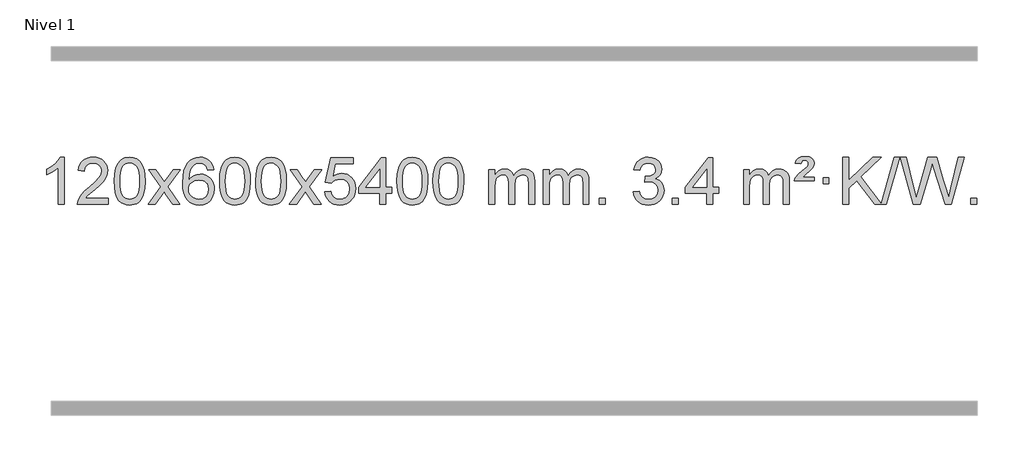
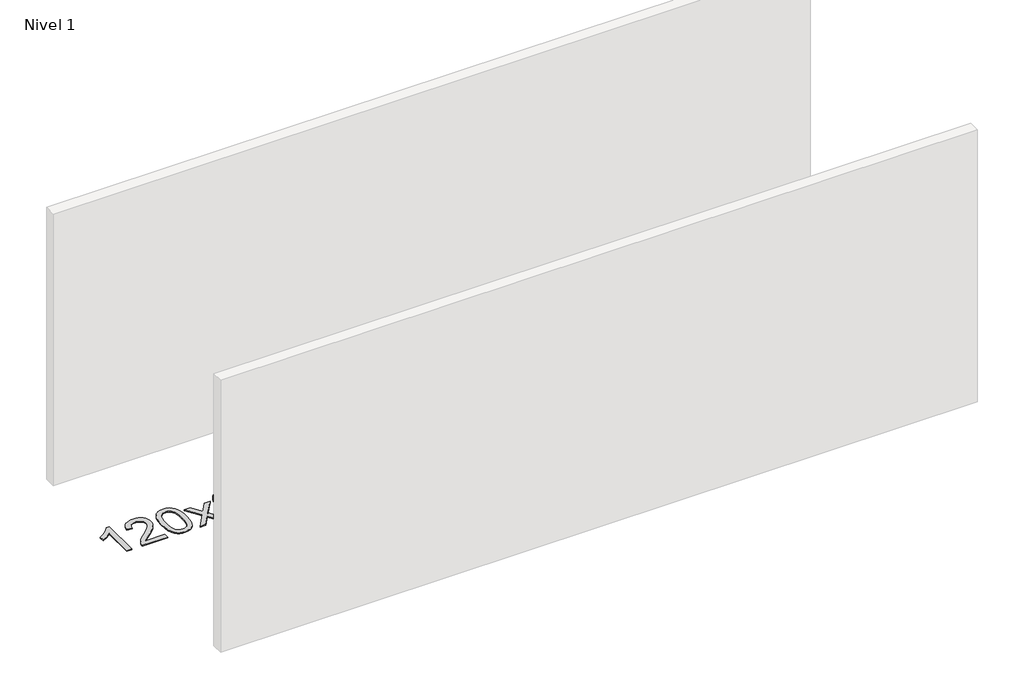
# One storey, part 5 of 16: 1 proxy.
"""IFC4 building model written with IfcOpenShell, lengths in millimetres."""

import ifcopenshell
import ifcopenshell.guid

model = None  # the IFC model being written
_history = None  # IfcOwnerHistory: only IFC2X3 demands one
_inside = {}  # id of a spatial element -> (the spatial element, [elements in it])
_under = {}  # id of a project, library or spatial element -> (it, [spatial elements below it])
_declared = {}  # id of a project -> (the project, [libraries it declares])
_typed = {}  # id of a type object -> (the type object, [elements of that type])
_made_of = {}  # id of a material, layer set ... -> (it, [elements and type objects made of it])


def new_model(schema):
    """Start an empty IFC model of exactly this schema.

    Asked for "IFC4X3", IfcOpenShell would pick the latest addendum, in which some entities
    have other attributes; the version numbers below select the first issue.
    IFC2X3 requires an IfcOwnerHistory on every rooted entity: one is made here for all.
    """
    global model, _history
    if schema == "IFC4X3":
        model = ifcopenshell.file(schema_version=(4, 3, 0, 0))
    else:
        model = ifcopenshell.file(schema=schema)
    _inside.clear()
    _under.clear()
    _declared.clear()
    _typed.clear()
    _made_of.clear()
    _history = None
    if model.schema == "IFC2X3":
        org = make("IfcOrganization", Name="unknown")
        user = make(
            "IfcPersonAndOrganization",
            ThePerson=make("IfcPerson", FamilyName="unknown"),
            TheOrganization=org,
        )
        app = make(
            "IfcApplication",
            ApplicationDeveloper=org,
            Version="unknown",
            ApplicationFullName="unknown",
            ApplicationIdentifier="unknown",
        )
        _history = make(
            "IfcOwnerHistory",
            OwningUser=user,
            OwningApplication=app,
            ChangeAction="ADDED",
            CreationDate=0,
        )
    return model


def make(cls, **values):
    """One entity of the class cls with the attributes given. An attribute that is None is left unset."""
    return model.create_entity(
        cls, **{name: value for name, value in values.items() if value is not None}
    )


def rooted(cls, **values):
    """An entity with a GlobalId (a new one), such as an element, a storey or a relation."""
    return make(cls, GlobalId=ifcopenshell.guid.new(), OwnerHistory=_history, **values)


def si_unit(unit_type, name, prefix=None):
    """IfcSIUnit, for example si_unit("LENGTHUNIT", "METRE", prefix="MILLI")."""
    return make("IfcSIUnit", UnitType=unit_type, Prefix=prefix, Name=name)


def assignment(units):
    """IfcUnitAssignment: the units of a project."""
    return None if units is None else make("IfcUnitAssignment", Units=units)


def point(xyz):
    """IfcCartesianPoint."""
    return None if xyz is None else make("IfcCartesianPoint", Coordinates=xyz)


def direction(xyz):
    """IfcDirection."""
    return None if xyz is None else make("IfcDirection", DirectionRatios=xyz)


def frame(location, z_axis=None, x_axis=None):
    """IfcAxis2Placement3D, a coordinate frame: its origin and axes. An axis left out is left unset."""
    return make(
        "IfcAxis2Placement3D",
        Location=point(location),
        Axis=direction(z_axis),
        RefDirection=direction(x_axis),
    )


def origin():
    """The frame at (0, 0, 0) with its axes left unset."""
    return frame((0.0, 0.0, 0.0))


def origin_with_axes():
    """The frame at (0, 0, 0) with the z axis (0, 0, 1) and the x axis (1, 0, 0) written out."""
    return frame((0.0, 0.0, 0.0), z_axis=(0.0, 0.0, 1.0), x_axis=(1.0, 0.0, 0.0))


def place(relative_to, where):
    """IfcLocalPlacement: puts the frame where relative to a parent placement (None: the world)."""
    return make(
        "IfcLocalPlacement", PlacementRelTo=relative_to, RelativePlacement=where
    )


def context(
    kind, dimensions, precision=None, world=None, true_north=None, identifier=None
):
    """IfcGeometricRepresentationContext, for example the 3D "Model" context."""
    return make(
        "IfcGeometricRepresentationContext",
        ContextIdentifier=identifier,
        ContextType=kind,
        CoordinateSpaceDimension=dimensions,
        Precision=precision,
        WorldCoordinateSystem=world,
        TrueNorth=true_north,
    )


def project(units=None, contexts=None):
    """IfcProject with its units and contexts."""
    return rooted(
        "IfcProject",
        Name="project",
        RepresentationContexts=contexts,
        UnitsInContext=assignment(units),
    )


def spatial(cls, under=None, at=None, **own):
    """A site, building, storey or space (cls), placed at a placement, below another one or the project."""
    s = rooted(cls, ObjectPlacement=at, **own)
    if under is not None:
        _under.setdefault(under.id(), (under, []))[1].append(s)
    return s


def polyline(points):
    """IfcPolyline through the points."""
    return make("IfcPolyline", Points=[point(p) for p in points])


def outline(outer, holes=None, kind="AREA"):
    """IfcArbitraryClosedProfileDef: a profile drawn as a closed curve; with holes, ...WithVoids."""
    if holes is None:
        return make("IfcArbitraryClosedProfileDef", ProfileType=kind, OuterCurve=outer)
    return make(
        "IfcArbitraryProfileDefWithVoids",
        ProfileType=kind,
        OuterCurve=outer,
        InnerCurves=holes,
    )


def extrude(swept, where, along, depth):
    """IfcExtrudedAreaSolid: the profile swept, set in the frame where, extruded along a direction by depth."""
    return make(
        "IfcExtrudedAreaSolid",
        SweptArea=swept,
        Position=where,
        ExtrudedDirection=direction(along),
        Depth=depth,
    )


def shape(context_of_items, identifier, shape_type, items):
    """IfcShapeRepresentation: the items that make up one representation, for example the "Body"."""
    return make(
        "IfcShapeRepresentation",
        ContextOfItems=context_of_items,
        RepresentationIdentifier=identifier,
        RepresentationType=shape_type,
        Items=items,
    )


def made_of(thing, what):
    """Note that an element or type object is made of a material, layer set ...; save() writes the relation."""
    if what is not None:
        _made_of.setdefault(what.id(), (what, []))[1].append(thing)
    return thing


def element(
    cls,
    number,
    at=None,
    inside=None,
    cuts=None,
    type_object=None,
    material=None,
    context=None,
    identifier="Body",
    shape_type=None,
    held_by="IfcProductDefinitionShape",
    body=None,
    shapes=None,
    **own,
):
    """One element of the class cls, such as IfcWall. Its Tag is "e" and its number.

    at: its placement. inside: the storey or other place that contains it. cuts: it is an
    opening in that element (IfcRelVoidsElement). A single representation is given by context,
    identifier, shape_type and body (its items); several are given by shapes. held_by: the class
    of the entity that holds the representations. save() writes the other relations.
    """
    e = rooted(cls, Tag="e%d" % number, ObjectPlacement=at, **own)
    if body is not None:
        shapes = [shape(context, identifier, shape_type, body)]
    if shapes is not None:
        e.Representation = make(held_by, Representations=shapes)
    if inside is not None:
        _inside.setdefault(inside.id(), (inside, []))[1].append(e)
    if cuts is not None:
        rooted(
            "IfcRelVoidsElement", RelatingBuildingElement=cuts, RelatedOpeningElement=e
        )
    if type_object is not None:
        _typed.setdefault(type_object.id(), (type_object, []))[1].append(e)
    return made_of(e, material)


def aggregate(whole, parts):
    """IfcRelAggregates: a whole, such as a stair, and the parts it consists of."""
    return rooted("IfcRelAggregates", RelatingObject=whole, RelatedObjects=parts)


def save(model, path):
    """Write the relations noted so far, then the file.

    IfcRelAggregates (storeys below a building ...), IfcRelContainedInSpatialStructure (elements
    in a storey), IfcRelDefinesByType, IfcRelAssociatesMaterial and IfcRelDeclares: one each for
    every whole, place, type object, material and project.
    """
    for whole, parts in _under.values():
        aggregate(whole, parts)
    for where, things in _inside.values():
        rooted(
            "IfcRelContainedInSpatialStructure",
            RelatedElements=things,
            RelatingStructure=where,
        )
    for kind, things in _typed.values():
        rooted("IfcRelDefinesByType", RelatedObjects=things, RelatingType=kind)
    for what, things in _made_of.values():
        rooted("IfcRelAssociatesMaterial", RelatedObjects=things, RelatingMaterial=what)
    for by, libraries in _declared.values():
        rooted("IfcRelDeclares", RelatingContext=by, RelatedDefinitions=libraries)
    model.write(path)


model = new_model("IFC4")

# Units and contexts
model_context = context("Model", 3, world=origin())
ifc_project = project(units=[si_unit("LENGTHUNIT", "METRE", prefix="MILLI")], contexts=[model_context])

# Site, building, storey
site = spatial("IfcSite", under=ifc_project)
building = spatial("IfcBuilding", under=site)
storey = spatial("IfcBuildingStorey", under=building, Name="Nivel 1", Elevation=0.0)

# Proxy
placement = place(None, origin())
element("IfcBuildingElementProxy", 1, Name="Texto de modelo 1", ObjectType="Texto de modelo 1", at=placement, inside=storey, context=model_context, shape_type="SweptSolid", body=[
    extrude(outline(polyline([(-121.6378538, -27570.579453), (-171.8660089, -27570.579453), (-171.8660089, -27257.4382987), (-192.8352826, -27274.3976587), (-219.4454136, -27291.3324932), (-272.3223191, -27316.6918254), (-272.3223191, -27269.2105225), (-232.8731065, -27247.7507395), (-198.6968691, -27222.219729), (-171.7556443, -27195.0700378), (-154.0114694, -27168.7542124), (-121.6378538, -27168.7542124), (-121.6378538, -27570.579453)])), origin_with_axes(), (0.0, 0.0, 1.0), 10.0),
    extrude(outline(polyline([(255.0733092, -27520.3512979), (255.0733092, -27570.579453), (-8.6245049, -27570.579453), (-7.5208589, -27552.8965918), (-3.2289023, -27535.9494945), (9.1564582, -27508.8856424), (27.2807778, -27482.6311307), (53.4985013, -27455.1503456), (90.1640735, -27424.4076736), (144.3653541, -27376.2641831), (176.8861225, -27340.7267824), (193.1465067, -27311.884834), (198.5666348, -27283.8277005), (193.453075, -27258.6768347), (178.1123958, -27237.7688747), (154.5311599, -27223.6789943), (124.6959301, -27218.9823675), (93.3646469, -27223.5686297), (69.0231215, -27237.3274163), (53.3145603, -27259.1796068), (47.8821695, -27288.0460807), (-2.3459855, -27281.7675613), (1.9735622, -27255.838012), (9.8309085, -27233.1826125), (21.2260533, -27213.8013627), (36.1589966, -27197.6942627), (54.2863819, -27185.0329907), (75.2648527, -27175.989225), (99.0944089, -27170.5629655), (125.7750506, -27168.7542124), (152.6948156, -27170.7653006), (176.6531306, -27176.7985654), (197.6499954, -27186.8540066), (215.6854103, -27200.9316242), (230.1707638, -27217.9890861), (240.5174449, -27236.9840598), (246.7254536, -27257.9165453), (248.7947898, -27280.7865427), (246.5629724, -27304.8092369), (239.8675201, -27328.4149983), (227.9849316, -27352.4254299), (210.1917058, -27377.6621347), (181.828004, -27407.7916701), (138.2339875, -27446.4805933), (80.4519888, -27494.795762), (57.7904579, -27520.3512979), (255.0733092, -27520.3512979)])), origin_with_axes(), (0.0, 0.0, 1.0), 10.0),
    extrude(outline(polyline([(305.3014643, -27372.9041943), (308.992547, -27308.5861588), (320.065795, -27257.2911459), (338.4108439, -27218.2343407), (350.2689068, -27203.0009605), (363.9173289, -27190.6309284), (379.4020952, -27181.0598651), (396.769191, -27174.2233914), (437.1503714, -27168.7542124), (468.1015099, -27171.991574), (495.8152869, -27181.7036586), (518.9918526, -27197.5103217), (536.3313573, -27219.0314184), (549.4279563, -27246.0830078), (559.8758049, -27278.4811488), (566.7184101, -27319.6226186), (568.9992784, -27372.9041943), (565.3449839, -27436.8543477), (554.3821005, -27488.0267333), (536.1474163, -27527.1203266), (524.3169444, -27542.3996922), (510.6777195, -27554.8341036), (495.174559, -27564.4695462), (477.7522809, -27571.3520052), (437.1503714, -27576.8579724), (409.4856453, -27574.4667394), (384.960179, -27567.2930405), (363.5739723, -27555.3368757), (345.3270254, -27538.5982449), (327.8158424, -27508.3399508), (315.3078546, -27470.6381776), (307.8030619, -27425.4929255), (305.3014643, -27372.9041943)]), holes=[polyline([(355.5296194, -27372.8060924), (357.0011473, -27416.4706195), (361.4157313, -27451.8148822), (368.7733712, -27478.8388804), (379.0740671, -27497.5426142), (391.533004, -27510.2682656), (405.365367, -27519.3580165), (420.5711561, -27524.8118671), (437.1503714, -27526.6298173), (453.7295866, -27524.8057357), (468.9353757, -27519.3334911), (482.7677388, -27510.2130833), (495.2266757, -27497.4445124), (505.5273715, -27478.7101217), (512.8850114, -27451.6922549), (517.2995954, -27416.3909118), (518.7711234, -27372.8060924), (517.3486463, -27330.2973278), (513.0812152, -27295.5753989), (505.9688299, -27268.6403055), (496.0114906, -27249.4920476), (483.7610201, -27236.1440625), (469.7692416, -27226.6097875), (454.0361549, -27220.8892225), (436.5617602, -27218.9823675), (420.068384, -27220.6623619), (405.1201123, -27225.7023452), (391.716945, -27234.1023175), (379.858882, -27245.8622786), (369.2148296, -27266.708925), (361.611935, -27294.8151094), (357.0501983, -27330.1808319), (355.5296194, -27372.8060924)])]), origin_with_axes(), (0.0, 0.0, 1.0), 10.0),
    extrude(outline(polyline([(594.113356, -27570.579453), (701.4367967, -27422.2494325), (600.3918754, -27275.4890419), (660.8226244, -27275.4890419), (709.5792515, -27346.122385), (732.3388843, -27379.4770192), (752.0573592, -27352.2047007), (807.583015, -27275.4890419), (868.0137641, -27275.4890419), (761.8675458, -27422.2494325), (864.0896895, -27570.579453), (803.6589404, -27570.579453), (742.1490708, -27481.4048574), (730.8673563, -27465.1199477), (654.544105, -27570.579453), (594.113356, -27570.579453)])), origin_with_axes(), (0.0, 0.0, 1.0), 10.0),
    extrude(outline(polyline([(1152.9015812, -27275.4890419), (1102.6734261, -27281.7675613), (1094.5800222, -27256.874213), (1083.6416642, -27239.8780648), (1060.857506, -27224.2062918), (1033.3154073, -27218.9823675), (1009.9671633, -27222.0235253), (987.9923455, -27231.1469988), (969.1199991, -27250.3627017), (953.7057435, -27276.8134171), (943.2946831, -27314.227016), (939.4319221, -27366.3313693), (959.5795927, -27342.8237098), (983.7249143, -27326.2567573), (1010.5189863, -27316.434308), (1038.612908, -27313.1601582), (1062.7459669, -27315.398107), (1085.0150903, -27322.1119534), (1105.4202783, -27333.3016975), (1123.9615309, -27348.9673391), (1139.3696551, -27368.1769106), (1150.3754581, -27389.9984443), (1156.97894, -27414.4319401), (1159.1801006, -27441.4773982), (1155.0352967, -27477.4439945), (1142.6008853, -27510.786366), (1122.9069358, -27539.0642287), (1096.9835179, -27559.8372987), (1066.0078539, -27572.602804), (1031.1571662, -27576.8579724), (1001.2146375, -27574.0375437), (974.1722452, -27565.5762579), (950.0299893, -27551.4741147), (928.7878697, -27531.7311143), (911.4698248, -27505.5133908), (899.0997927, -27471.9870783), (891.6777734, -27431.1521768), (889.203767, -27383.0086864), (891.9506193, -27329.0342663), (900.191176, -27282.9693092), (913.9254371, -27244.8138149), (933.1534027, -27214.5677835), (953.9939177, -27194.5243462), (978.1576335, -27180.2076052), (1005.6445499, -27171.6175606), (1036.454667, -27168.7542124), (1059.5883131, -27170.5261773), (1080.52693, -27175.8420722), (1099.2705176, -27184.7018969), (1115.8190761, -27197.1056515), (1129.7250155, -27212.6364031), (1140.5407461, -27230.8772186), (1148.266268, -27251.8280983), (1152.9015812, -27275.4890419)]), holes=[polyline([(939.4319221, -27440.6925832), (942.3381899, -27462.9494439), (951.0569932, -27484.2007605), (964.5950506, -27502.472233), (981.9590807, -27515.7895612), (1002.9160917, -27523.9197533), (1027.2330916, -27526.6298173), (1060.3792594, -27521.0134855), (1074.2943959, -27513.9930708), (1086.4375674, -27504.1644901), (1096.2876078, -27491.9262824), (1103.323351, -27477.6769865), (1108.9519455, -27443.1451299), (1103.3969274, -27409.9989621), (1096.4531547, -27396.3781312), (1086.731873, -27384.725469), (1074.5519133, -27375.3904634), (1060.2321066, -27368.7226022), (1025.1729524, -27363.3883133), (992.0758356, -27368.7226022), (964.3988468, -27384.725469), (953.4758173, -27396.2248471), (945.6736533, -27409.3858254), (940.9923549, -27424.2084042), (939.4319221, -27440.6925832)])]), origin_with_axes(), (0.0, 0.0, 1.0), 10.0),
    extrude(outline(polyline([(1203.1297362, -27372.9041943), (1206.8208189, -27308.5861588), (1217.894067, -27257.2911459), (1236.2391158, -27218.2343407), (1248.0971788, -27203.0009605), (1261.7456008, -27190.6309284), (1277.2303671, -27181.0598651), (1294.597463, -27174.2233914), (1334.9786433, -27168.7542124), (1365.9297818, -27171.991574), (1393.6435588, -27181.7036586), (1416.8201245, -27197.5103217), (1434.1596292, -27219.0314184), (1447.2562282, -27246.0830078), (1457.7040769, -27278.4811488), (1464.546682, -27319.6226186), (1466.8275504, -27372.9041943), (1463.1732559, -27436.8543477), (1452.2103725, -27488.0267333), (1433.9756882, -27527.1203266), (1422.1452164, -27542.3996922), (1408.5059914, -27554.8341036), (1393.002831, -27564.4695462), (1375.5805529, -27571.3520052), (1334.9786433, -27576.8579724), (1307.3139173, -27574.4667394), (1282.7884509, -27567.2930405), (1261.4022443, -27555.3368757), (1243.1552973, -27538.5982449), (1225.6441144, -27508.3399508), (1213.1361265, -27470.6381776), (1205.6313338, -27425.4929255), (1203.1297362, -27372.9041943)]), holes=[polyline([(1253.3578913, -27372.8060924), (1254.8294193, -27416.4706195), (1259.2440032, -27451.8148822), (1266.6016432, -27478.8388804), (1276.902339, -27497.5426142), (1289.3612759, -27510.2682656), (1303.1936389, -27519.3580165), (1318.3994281, -27524.8118671), (1334.9786433, -27526.6298173), (1351.5578586, -27524.8057357), (1366.7636477, -27519.3334911), (1380.5960107, -27510.2130833), (1393.0549476, -27497.4445124), (1403.3556435, -27478.7101217), (1410.7132834, -27451.6922549), (1415.1278673, -27416.3909118), (1416.5993953, -27372.8060924), (1415.1769183, -27330.2973278), (1410.9094871, -27295.5753989), (1403.7971019, -27268.6403055), (1393.8397625, -27249.4920476), (1381.5892921, -27236.1440625), (1367.5975136, -27226.6097875), (1351.8644269, -27220.8892225), (1334.3900321, -27218.9823675), (1317.896656, -27220.6623619), (1302.9483843, -27225.7023452), (1289.5452169, -27234.1023175), (1277.6871539, -27245.8622786), (1267.0431015, -27266.708925), (1259.440207, -27294.8151094), (1254.8784702, -27330.1808319), (1253.3578913, -27372.8060924)])]), origin_with_axes(), (0.0, 0.0, 1.0), 10.0),
    extrude(outline(polyline([(1510.7771861, -27372.9041943), (1514.4682688, -27308.5861588), (1525.5415168, -27257.2911459), (1543.8865656, -27218.2343407), (1555.7446286, -27203.0009605), (1569.3930506, -27190.6309284), (1584.877817, -27181.0598651), (1602.2449128, -27174.2233914), (1642.6260932, -27168.7542124), (1673.5772317, -27171.991574), (1701.2910087, -27181.7036586), (1724.4675743, -27197.5103217), (1741.8070791, -27219.0314184), (1754.9036781, -27246.0830078), (1765.3515267, -27278.4811488), (1772.1941319, -27319.6226186), (1774.4750002, -27372.9041943), (1770.8207057, -27436.8543477), (1759.8578223, -27488.0267333), (1741.6231381, -27527.1203266), (1729.7926662, -27542.3996922), (1716.1534413, -27554.8341036), (1700.6502808, -27564.4695462), (1683.2280027, -27571.3520052), (1642.6260932, -27576.8579724), (1614.9613671, -27574.4667394), (1590.4359008, -27567.2930405), (1569.0496941, -27555.3368757), (1550.8027472, -27538.5982449), (1533.2915642, -27508.3399508), (1520.7835764, -27470.6381776), (1513.2787836, -27425.4929255), (1510.7771861, -27372.9041943)]), holes=[polyline([(1561.0053412, -27372.8060924), (1562.4768691, -27416.4706195), (1566.8914531, -27451.8148822), (1574.249093, -27478.8388804), (1584.5497888, -27497.5426142), (1597.0087258, -27510.2682656), (1610.8410888, -27519.3580165), (1626.0468779, -27524.8118671), (1642.6260932, -27526.6298173), (1659.2053084, -27524.8057357), (1674.4110975, -27519.3334911), (1688.2434606, -27510.2130833), (1700.7023975, -27497.4445124), (1711.0030933, -27478.7101217), (1718.3607332, -27451.6922549), (1722.7753172, -27416.3909118), (1724.2468452, -27372.8060924), (1722.8243681, -27330.2973278), (1718.556937, -27295.5753989), (1711.4445517, -27268.6403055), (1701.4872124, -27249.4920476), (1689.2367419, -27236.1440625), (1675.2449634, -27226.6097875), (1659.5118767, -27220.8892225), (1642.037482, -27218.9823675), (1625.5441058, -27220.6623619), (1610.5958341, -27225.7023452), (1597.1926667, -27234.1023175), (1585.3346038, -27245.8622786), (1574.6905514, -27266.708925), (1567.0876568, -27294.8151094), (1562.5259201, -27330.1808319), (1561.0053412, -27372.8060924)])]), origin_with_axes(), (0.0, 0.0, 1.0), 10.0),
    extrude(outline(polyline([(1799.5890778, -27570.579453), (1906.9125185, -27422.2494325), (1805.8675971, -27275.4890419), (1866.2983462, -27275.4890419), (1915.0549733, -27346.122385), (1937.8146061, -27379.4770192), (1957.533081, -27352.2047007), (2013.0587368, -27275.4890419), (2073.4894859, -27275.4890419), (1967.3432676, -27422.2494325), (2069.5654113, -27570.579453), (2009.1346622, -27570.579453), (1947.6247926, -27481.4048574), (1936.3430781, -27465.1199477), (1860.0198268, -27570.579453), (1799.5890778, -27570.579453)])), origin_with_axes(), (0.0, 0.0, 1.0), 10.0),
    extrude(outline(polyline([(2100.9580082, -27463.8446235), (2151.1861633, -27457.5661041), (2160.4077386, -27487.7201649), (2176.4964446, -27509.3148381), (2199.3787047, -27522.3010725), (2228.9809425, -27526.6298173), (2248.1108063, -27525.1245668), (2264.9843271, -27520.6088153), (2279.6015051, -27513.0825628), (2291.9623401, -27502.5458094), (2301.7909207, -27489.519721), (2308.8113355, -27474.5254641), (2314.4276673, -27438.6324441), (2309.1669547, -27404.8363514), (2302.5910641, -27390.9181493), (2293.3848172, -27378.9865099), (2281.5175571, -27369.4154467), (2266.9586272, -27362.5789729), (2229.7657575, -27357.1097939), (2205.3997066, -27359.2925604), (2185.668969, -27365.8408599), (2169.9113568, -27375.8717757), (2157.4646827, -27388.5023908), (2107.2365276, -27382.2238715), (2151.1861633, -27175.0327318), (2345.8202642, -27175.0327318), (2345.8202642, -27225.2608869), (2191.8003356, -27225.2608869), (2170.316027, -27335.919791), (2188.0418078, -27323.2155994), (2206.1967843, -27314.1411769), (2224.7809564, -27308.6965234), (2243.7943242, -27306.8816388), (2268.2554112, -27309.1318504), (2290.7238041, -27315.882485), (2311.1995028, -27327.1335427), (2329.6825073, -27342.8850234), (2344.9833327, -27362.1743027), (2355.9124936, -27384.038756), (2362.4699902, -27408.4783832), (2364.6558224, -27435.4931844), (2362.6876537, -27461.5147042), (2356.7831477, -27485.7213394), (2346.9423043, -27508.1130902), (2333.1651236, -27528.6899565), (2312.2939517, -27549.7634634), (2287.9401636, -27564.8159684), (2260.1037593, -27573.8474714), (2228.7847388, -27576.8579724), (2202.8643866, -27574.9235262), (2179.4517632, -27569.1201877), (2158.5468689, -27559.447957), (2140.1497034, -27545.9068338), (2124.8427467, -27529.1712688), (2113.2084787, -27509.915712), (2105.2468991, -27488.1401636), (2100.9580082, -27463.8446235)])), origin_with_axes(), (0.0, 0.0, 1.0), 10.0),
    extrude(outline(polyline([(2571.846962, -27570.579453), (2571.846962, -27476.4016622), (2389.7698999, -27476.4016622), (2389.7698999, -27426.1735072), (2584.4040008, -27175.0327318), (2622.0751171, -27175.0327318), (2622.0751171, -27426.1735072), (2672.3032722, -27426.1735072), (2672.3032722, -27476.4016622), (2622.0751171, -27476.4016622), (2622.0751171, -27570.579453), (2571.846962, -27570.579453)]), holes=[polyline([(2571.846962, -27426.1735072), (2571.846962, -27270.9763561), (2451.5740751, -27426.1735072), (2571.846962, -27426.1735072)])]), origin_with_axes(), (0.0, 0.0, 1.0), 10.0),
    extrude(outline(polyline([(2716.2529079, -27372.9041943), (2719.9439906, -27308.5861588), (2731.0172386, -27257.2911459), (2749.3622874, -27218.2343407), (2761.2203504, -27203.0009605), (2774.8687724, -27190.6309284), (2790.3535388, -27181.0598651), (2807.7206346, -27174.2233914), (2848.1018149, -27168.7542124), (2879.0529535, -27171.991574), (2906.7667304, -27181.7036586), (2929.9432961, -27197.5103217), (2947.2828008, -27219.0314184), (2960.3793999, -27246.0830078), (2970.8272485, -27278.4811488), (2977.6698537, -27319.6226186), (2979.950722, -27372.9041943), (2976.2964275, -27436.8543477), (2965.3335441, -27488.0267333), (2947.0988599, -27527.1203266), (2935.268388, -27542.3996922), (2921.6291631, -27554.8341036), (2906.1260026, -27564.4695462), (2888.7037245, -27571.3520052), (2848.1018149, -27576.8579724), (2820.4370889, -27574.4667394), (2795.9116226, -27567.2930405), (2774.5254159, -27555.3368757), (2756.278469, -27538.5982449), (2738.767286, -27508.3399508), (2726.2592981, -27470.6381776), (2718.7545054, -27425.4929255), (2716.2529079, -27372.9041943)]), holes=[polyline([(2766.481063, -27372.8060924), (2767.9525909, -27416.4706195), (2772.3671749, -27451.8148822), (2779.7248148, -27478.8388804), (2790.0255106, -27497.5426142), (2802.4844475, -27510.2682656), (2816.3168106, -27519.3580165), (2831.5225997, -27524.8118671), (2848.1018149, -27526.6298173), (2864.6810302, -27524.8057357), (2879.8868193, -27519.3334911), (2893.7191824, -27510.2130833), (2906.1781193, -27497.4445124), (2916.4788151, -27478.7101217), (2923.836455, -27451.6922549), (2928.251039, -27416.3909118), (2929.7225669, -27372.8060924), (2928.3000899, -27330.2973278), (2924.0326588, -27295.5753989), (2916.9202735, -27268.6403055), (2906.9629342, -27249.4920476), (2894.7124637, -27236.1440625), (2880.7206852, -27226.6097875), (2864.9875985, -27220.8892225), (2847.5132038, -27218.9823675), (2831.0198276, -27220.6623619), (2816.0715559, -27225.7023452), (2802.6683885, -27234.1023175), (2790.8103256, -27245.8622786), (2780.1662732, -27266.708925), (2772.5633786, -27294.8151094), (2768.0016419, -27330.1808319), (2766.481063, -27372.8060924)])]), origin_with_axes(), (0.0, 0.0, 1.0), 10.0),
    extrude(outline(polyline([(3023.9003577, -27372.9041943), (3027.5914404, -27308.5861588), (3038.6646885, -27257.2911459), (3057.0097373, -27218.2343407), (3068.8678003, -27203.0009605), (3082.5162223, -27190.6309284), (3098.0009886, -27181.0598651), (3115.3680844, -27174.2233914), (3155.7492648, -27168.7542124), (3186.7004033, -27171.991574), (3214.4141803, -27181.7036586), (3237.590746, -27197.5103217), (3254.9302507, -27219.0314184), (3268.0268497, -27246.0830078), (3278.4746984, -27278.4811488), (3285.3173035, -27319.6226186), (3287.5981719, -27372.9041943), (3283.9438774, -27436.8543477), (3272.9809939, -27488.0267333), (3254.7463097, -27527.1203266), (3242.9158379, -27542.3996922), (3229.2766129, -27554.8341036), (3213.7734525, -27564.4695462), (3196.3511743, -27571.3520052), (3155.7492648, -27576.8579724), (3128.0845387, -27574.4667394), (3103.5590724, -27567.2930405), (3082.1728657, -27555.3368757), (3063.9259188, -27538.5982449), (3046.4147358, -27508.3399508), (3033.906748, -27470.6381776), (3026.4019553, -27425.4929255), (3023.9003577, -27372.9041943)]), holes=[polyline([(3074.1285128, -27372.8060924), (3075.6000408, -27416.4706195), (3080.0146247, -27451.8148822), (3087.3722646, -27478.8388804), (3097.6729605, -27497.5426142), (3110.1318974, -27510.2682656), (3123.9642604, -27519.3580165), (3139.1700495, -27524.8118671), (3155.7492648, -27526.6298173), (3172.32848, -27524.8057357), (3187.5342692, -27519.3334911), (3201.3666322, -27510.2130833), (3213.8255691, -27497.4445124), (3224.126265, -27478.7101217), (3231.4839049, -27451.6922549), (3235.8984888, -27416.3909118), (3237.3700168, -27372.8060924), (3235.9475397, -27330.2973278), (3231.6801086, -27295.5753989), (3224.5677233, -27268.6403055), (3214.610384, -27249.4920476), (3202.3599136, -27236.1440625), (3188.368135, -27226.6097875), (3172.6350484, -27220.8892225), (3155.1606536, -27218.9823675), (3138.6672775, -27220.6623619), (3123.7190057, -27225.7023452), (3110.3158384, -27234.1023175), (3098.4577754, -27245.8622786), (3087.813723, -27266.708925), (3080.2108284, -27294.8151094), (3075.6490917, -27330.1808319), (3074.1285128, -27372.8060924)])]), origin_with_axes(), (0.0, 0.0, 1.0), 10.0),
    extrude(outline(polyline([(3501.0678309, -27570.579453), (3501.0678309, -27275.4890419), (3551.295986, -27275.4890419), (3551.295986, -27324.0494653), (3566.4036733, -27301.7435537), (3585.8278426, -27284.2691589), (3608.9063064, -27272.9751816), (3634.9768772, -27269.2105225), (3662.9113833, -27273.048758), (3685.3031341, -27284.5634645), (3702.0295022, -27302.9943524), (3712.9678601, -27327.5811324), (3731.2761208, -27302.0439906), (3752.1595554, -27283.803175), (3775.6181639, -27272.8586857), (3801.6519464, -27269.2105225), (3821.7597632, -27270.7280358), (3839.4089019, -27275.2805755), (3854.5993626, -27282.8681416), (3867.3311453, -27293.4907342), (3877.3957836, -27307.2709806), (3884.5848109, -27324.3315082), (3888.8982273, -27344.6723168), (3890.3360328, -27368.2934066), (3890.3360328, -27570.579453), (3840.1078777, -27570.579453), (3840.1078777, -27389.875817), (3838.942918, -27364.8230531), (3835.4480391, -27347.9372695), (3828.8997396, -27336.3735121), (3818.5745182, -27327.2868268), (3805.2939782, -27321.4007149), (3789.8797226, -27319.4386776), (3762.6687177, -27324.4663982), (3740.4854334, -27339.54956), (3731.8800604, -27351.1194488), (3725.7333654, -27365.7182326), (3720.8160094, -27404.0024856), (3720.8160094, -27570.579453), (3670.5878543, -27570.579453), (3670.5878543, -27384.2840106), (3667.6815865, -27355.8835206), (3658.9627833, -27335.6254854), (3643.6221041, -27323.4853796), (3620.8502086, -27319.4386776), (3601.4996156, -27322.1364789), (3583.6696016, -27330.2298828), (3568.9543218, -27343.5226856), (3558.9479315, -27361.8186835), (3553.2089724, -27387.2025411), (3551.295986, -27421.7589232), (3551.295986, -27570.579453), (3501.0678309, -27570.579453)])), origin_with_axes(), (0.0, 0.0, 1.0), 10.0),
    extrude(outline(polyline([(3965.6782654, -27570.579453), (3965.6782654, -27275.4890419), (4015.9064204, -27275.4890419), (4015.9064204, -27324.0494653), (4031.0141077, -27301.7435537), (4050.4382771, -27284.2691589), (4073.5167409, -27272.9751816), (4099.5873116, -27269.2105225), (4127.5218178, -27273.048758), (4149.9135685, -27284.5634645), (4166.6399366, -27302.9943524), (4177.5782946, -27327.5811324), (4195.8865552, -27302.0439906), (4216.7699898, -27283.803175), (4240.2285984, -27272.8586857), (4266.2623809, -27269.2105225), (4286.3701976, -27270.7280358), (4304.0193363, -27275.2805755), (4319.209797, -27282.8681416), (4331.9415798, -27293.4907342), (4342.006218, -27307.2709806), (4349.1952453, -27324.3315082), (4353.5086617, -27344.6723168), (4354.9464672, -27368.2934066), (4354.9464672, -27570.579453), (4304.7183121, -27570.579453), (4304.7183121, -27389.875817), (4303.5533525, -27364.8230531), (4300.0584735, -27347.9372695), (4293.510174, -27336.3735121), (4283.1849527, -27327.2868268), (4269.9044126, -27321.4007149), (4254.490157, -27319.4386776), (4227.2791521, -27324.4663982), (4205.0958678, -27339.54956), (4196.4904948, -27351.1194488), (4190.3437998, -27365.7182326), (4185.4264438, -27404.0024856), (4185.4264438, -27570.579453), (4135.1982887, -27570.579453), (4135.1982887, -27384.2840106), (4132.292021, -27355.8835206), (4123.5732177, -27335.6254854), (4108.2325385, -27323.4853796), (4085.460643, -27319.4386776), (4066.11005, -27322.1364789), (4048.280036, -27330.2298828), (4033.5647562, -27343.5226856), (4023.5583659, -27361.8186835), (4017.8194068, -27387.2025411), (4015.9064204, -27421.7589232), (4015.9064204, -27570.579453), (3965.6782654, -27570.579453)])), origin_with_axes(), (0.0, 0.0, 1.0), 10.0),
    extrude(outline(polyline([(4442.8457386, -27570.579453), (4442.8457386, -27520.3512979), (4493.0738936, -27520.3512979), (4493.0738936, -27570.579453), (4442.8457386, -27570.579453)])), origin_with_axes(), (0.0, 0.0, 1.0), 10.0),
    extrude(outline(polyline([(4731.6576303, -27463.8446235), (4781.8857853, -27457.5661041), (4793.1307116, -27489.1303793), (4809.5995623, -27510.4430095), (4832.1016777, -27522.5831154), (4861.4463982, -27526.6298173), (4895.8801529, -27521.0625364), (4910.1539743, -27514.1034354), (4922.4657584, -27504.3606939), (4939.4619066, -27479.4428201), (4945.1272893, -27449.2274455), (4939.5109575, -27420.5449126), (4922.6619621, -27397.2825078), (4897.1554772, -27381.8682522), (4865.5666765, -27376.730167), (4830.3481068, -27382.2238715), (4835.9399132, -27331.9957164), (4843.9842661, -27332.5843276), (4874.0770133, -27328.979084), (4900.9814499, -27318.1633534), (4912.054698, -27309.9841103), (4919.9641609, -27299.8673555), (4924.7098386, -27287.8130888), (4926.2917312, -27273.8213102), (4921.705469, -27252.1285352), (4907.9466823, -27234.5315131), (4886.9528832, -27222.8696539), (4860.6615832, -27218.9823675), (4834.3212324, -27222.9064421), (4812.7878729, -27234.6786659), (4797.067049, -27254.299039), (4788.1643047, -27281.7675613), (4737.9361496, -27275.4890419), (4743.8897066, -27251.5092672), (4752.7250058, -27230.3867093), (4764.4420474, -27212.1213683), (4779.0408312, -27196.713244), (4796.0615049, -27184.4811677), (4815.0442158, -27175.7439703), (4835.9889641, -27170.5016519), (4858.8957497, -27168.7542124), (4890.4722876, -27172.2000404), (4919.4736515, -27182.5375245), (4943.9255415, -27198.8469596), (4961.8536574, -27220.2086408), (4972.853329, -27244.8199463), (4976.5198862, -27270.8782543), (4973.03727, -27295.1584659), (4962.5894214, -27317.1823347), (4945.3234931, -27335.9443165), (4921.3866379, -27350.4388671), (4952.8282858, -27363.1430586), (4976.1274788, -27384.77452), (4990.548453, -27414.1560286), (4995.3554444, -27450.1103623), (4992.9519487, -27475.5923218), (4985.7414616, -27499.0631931), (4973.7239831, -27520.5229762), (4956.8995132, -27539.971671), (4936.4023547, -27556.1094278), (4913.3668104, -27567.636397), (4887.7928804, -27574.5525785), (4859.6805646, -27576.8579724), (4834.2721814, -27574.8898037), (4811.1201412, -27568.9852977), (4790.2244439, -27559.1444543), (4771.5850895, -27545.3672736), (4755.956236, -27528.4630959), (4744.0920417, -27509.2412617), (4735.9925064, -27487.7017708), (4731.6576303, -27463.8446235)])), origin_with_axes(), (0.0, 0.0, 1.0), 10.0),
    extrude(outline(polyline([(5064.4191576, -27570.579453), (5064.4191576, -27520.3512979), (5114.6473127, -27520.3512979), (5114.6473127, -27570.579453), (5064.4191576, -27570.579453)])), origin_with_axes(), (0.0, 0.0, 1.0), 10.0),
    extrude(outline(polyline([(5359.5095687, -27570.579453), (5359.5095687, -27476.4016622), (5177.4325065, -27476.4016622), (5177.4325065, -27426.1735072), (5372.0666075, -27175.0327318), (5409.7377238, -27175.0327318), (5409.7377238, -27426.1735072), (5459.9658788, -27426.1735072), (5459.9658788, -27476.4016622), (5409.7377238, -27476.4016622), (5409.7377238, -27570.579453), (5359.5095687, -27570.579453)]), holes=[polyline([(5359.5095687, -27426.1735072), (5359.5095687, -27270.9763561), (5239.2366817, -27426.1735072), (5359.5095687, -27426.1735072)])]), origin_with_axes(), (0.0, 0.0, 1.0), 10.0),
    extrude(outline(polyline([(5673.4355379, -27570.579453), (5673.4355379, -27275.4890419), (5723.663693, -27275.4890419), (5723.663693, -27324.0494653), (5738.7713802, -27301.7435537), (5758.1955496, -27284.2691589), (5781.2740134, -27272.9751816), (5807.3445842, -27269.2105225), (5835.2790903, -27273.048758), (5857.6708411, -27284.5634645), (5874.3972091, -27302.9943524), (5885.3355671, -27327.5811324), (5903.6438278, -27302.0439906), (5924.5272623, -27283.803175), (5947.9858709, -27272.8586857), (5974.0196534, -27269.2105225), (5994.1274702, -27270.7280358), (6011.7766089, -27275.2805755), (6026.9670696, -27282.8681416), (6039.6988523, -27293.4907342), (6049.7634906, -27307.2709806), (6056.9525179, -27324.3315082), (6061.2659343, -27344.6723168), (6062.7037397, -27368.2934066), (6062.7037397, -27570.579453), (6012.4755847, -27570.579453), (6012.4755847, -27389.875817), (6011.310625, -27364.8230531), (6007.8157461, -27347.9372695), (6001.2674465, -27336.3735121), (5990.9422252, -27327.2868268), (5977.6616852, -27321.4007149), (5962.2474296, -27319.4386776), (5935.0364247, -27324.4663982), (5912.8531404, -27339.54956), (5904.2477674, -27351.1194488), (5898.1010724, -27365.7182326), (5893.1837164, -27404.0024856), (5893.1837164, -27570.579453), (5842.9555613, -27570.579453), (5842.9555613, -27384.2840106), (5840.0492935, -27355.8835206), (5831.3304902, -27335.6254854), (5815.989811, -27323.4853796), (5793.2179155, -27319.4386776), (5773.8673226, -27322.1364789), (5756.0373086, -27330.2298828), (5741.3220287, -27343.5226856), (5731.3156385, -27361.8186835), (5725.5766794, -27387.2025411), (5723.663693, -27421.7589232), (5723.663693, -27570.579453), (5673.4355379, -27570.579453)])), origin_with_axes(), (0.0, 0.0, 1.0), 10.0),
    extrude(outline(polyline([(6106.6533754, -27369.6668327), (6110.4793482, -27353.8479069), (6118.8180067, -27337.9799302), (6140.3268407, -27312.8413272), (6172.2835234, -27285.1030247), (6216.4293628, -27247.726214), (6223.5662735, -27236.1992448), (6225.9452437, -27224.3779701), (6224.0567828, -27212.2869152), (6218.3914001, -27202.5012541), (6209.022672, -27196.026531), (6196.0241748, -27193.8682899), (6183.5897634, -27195.4869707), (6174.73607, -27200.343013), (6168.3103978, -27209.8098431), (6163.1600499, -27225.2608869), (6112.9318948, -27218.9823675), (6123.7721509, -27193.7701881), (6140.4004171, -27176.2099542), (6164.165594, -27165.9092583), (6196.4165822, -27162.475693), (6232.1992376, -27166.6082341), (6256.9454332, -27179.0058573), (6271.3664074, -27197.3386434), (6276.1733988, -27219.2766731), (6272.0776459, -27242.1834586), (6259.7903873, -27263.8149199), (6239.262572, -27283.6314968), (6202.7932035, -27311.6886303), (6177.1886166, -27338.2742358), (6276.1733988, -27338.2742358), (6276.1733988, -27369.6668327), (6106.6533754, -27369.6668327)])), origin_with_axes(), (0.0, 0.0, 1.0), 10.0),
    extrude(outline(polyline([(6351.5156314, -27394.7809102), (6351.5156314, -27344.5527552), (6401.7437865, -27344.5527552), (6401.7437865, -27394.7809102), (6351.5156314, -27394.7809102)])), origin_with_axes(), (0.0, 0.0, 1.0), 10.0),
    extrude(outline(polyline([(6792.3854144, -27570.579453), (6638.954097, -27367.9009991), (6571.2638099, -27432.4520265), (6571.2638099, -27570.579453), (6521.0356548, -27570.579453), (6521.0356548, -27168.7542124), (6571.2638099, -27168.7542124), (6571.2638099, -27365.4484525), (6777.2777272, -27168.7542124), (6847.5186628, -27168.7542124), (6674.5650741, -27333.9577537), (6849.218684, -27564.5349332), (6960.5320117, -27168.7542124), (7005.8550735, -27168.7542124), (6892.8417246, -27570.579453), (6853.7971822, -27570.579453), (6847.5186628, -27570.579453), (6792.3854144, -27570.579453)])), origin_with_axes(), (0.0, 0.0, 1.0), 10.0),
    extrude(outline(polyline([(7120.3399504, -27570.579453), (7010.7601668, -27168.7542124), (7062.5579517, -27168.7542124), (7126.1279605, -27432.844434), (7145.7483335, -27514.3670841), (7166.7421327, -27442.2622131), (7246.4008474, -27168.7542124), (7321.056367, -27168.7542124), (7378.9364675, -27367.0180823), (7403.731714, -27440.5944814), (7422.0031864, -27514.3670841), (7441.0349483, -27435.1988788), (7505.1935683, -27168.7542124), (7556.9913532, -27168.7542124), (7447.3134677, -27570.579453), (7393.6517474, -27570.579453), (7297.3157155, -27260.5775584), (7283.87576, -27217.3146358), (7268.7680727, -27269.4067263), (7180.9669032, -27570.579453), (7120.3399504, -27570.579453)])), origin_with_axes(), (0.0, 0.0, 1.0), 10.0),
    extrude(outline(polyline([(7613.4980277, -27570.579453), (7613.4980277, -27520.3512979), (7663.7261827, -27520.3512979), (7663.7261827, -27570.579453), (7613.4980277, -27570.579453)])), origin_with_axes(), (0.0, 0.0, 1.0), 10.0),
])

save(model, "model.ifc")
